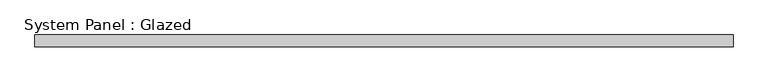
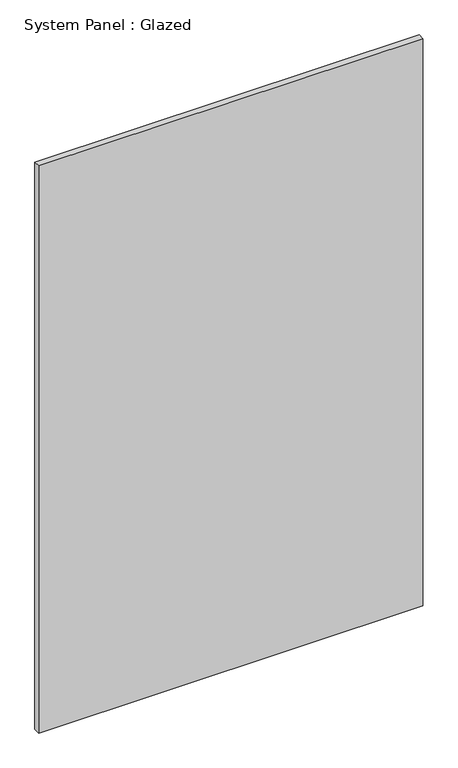
"""IFC4 building model written with IfcOpenShell, lengths in millimetres: plate geometry, System Panel : Glazed."""

from ifc_helpers import new_model, si_unit, origin, origin_with_axes, place, context, project, spatial, polyline, outline, extrude, source, transform, mapped, element, save


def system_panel_glazed_ab182dcd(model_context):
    return source(origin(), model_context, "Body", "SweptSolid", [
        extrude(outline(polyline([(744.5125599, 24.5), (-744.5125599, 24.5), (-744.5125599, 49.5), (744.5125599, 49.5), (744.5125599, 24.5)])), origin_with_axes(), (0.0, 0.0, 1.0), 2325.0),
    ])


if __name__ == "__main__":
    model = new_model("IFC4")
    model_context = context("Model", 3, world=origin())
    ifc_project = project(units=[si_unit("LENGTHUNIT", "METRE", prefix="MILLI")], contexts=[model_context])
    site = spatial("IfcSite", under=ifc_project)
    building = spatial("IfcBuilding", under=site)
    placement = place(None, origin())
    system_panel_glazed_shape = system_panel_glazed_ab182dcd(model_context)
    element("IfcPlate", 1, ObjectType="System Panel : Glazed", at=placement, inside=building, context=model_context, shape_type="MappedRepresentation", body=[
        mapped(system_panel_glazed_shape, transform((0.0, 0.0, 0.0), x_axis=(1.0, 0.0, 0.0), y_axis=(0.0, 1.0, 0.0), z_axis=(0.0, 0.0, 1.0))),
    ])
    save(model, "model.ifc")
